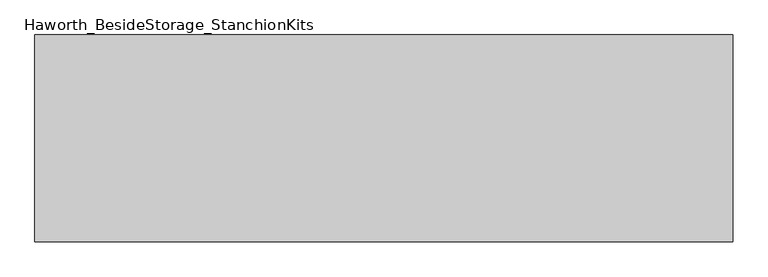
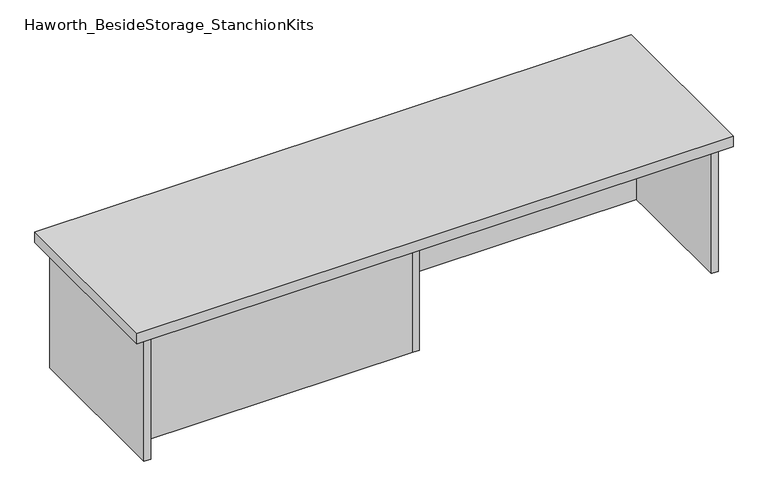
"""IFC4 building model written with IfcOpenShell, lengths in millimetres: furniture geometry, Haworth_BesideStorage_StanchionKits."""

from ifc_helpers import new_model, si_unit, frame, origin, place, context, project, spatial, polyline, outline, extrude, source, transform, mapped, element, save


def haworth_besidestorage_stanchionkits_5d6fe771(model_context):
    return source(origin(), model_context, "Body", "SweptSolid", [
        extrude(outline(polyline([(847.725, 0.0), (847.725, -406.4), (-523.875, -406.4), (-523.875, 0.0), (847.725, 0.0)])), frame((0.0, 0.0, 736.6), z_axis=(0.0, 0.0, 1.0), x_axis=(1.0, 0.0, 0.0)), (0.0, 0.0, 1.0), 25.4),
        extrude(outline(polyline([(169.8625, -76.2), (806.45, -76.2), (806.45, -92.075), (169.8625, -92.075), (169.8625, -76.2)])), frame((0.0, 0.0, 431.8), z_axis=(0.0, 0.0, 1.0), x_axis=(1.0, 0.0, 0.0)), (0.0, 0.0, 1.0), 304.8),
        extrude(outline(polyline([(153.9875, -314.325), (153.9875, -330.2), (-482.6, -330.2), (-482.6, -314.325), (153.9875, -314.325)])), frame((0.0, 0.0, 431.8), z_axis=(0.0, 0.0, 1.0), x_axis=(1.0, 0.0, 0.0)), (0.0, 0.0, 1.0), 304.8),
        extrude(outline(polyline([(169.8625, -330.2), (153.9875, -330.2), (153.9875, -76.2), (169.8625, -76.2), (169.8625, -330.2)])), frame((0.0, 0.0, 431.8), z_axis=(0.0, 0.0, 1.0), x_axis=(1.0, 0.0, 0.0)), (0.0, 0.0, 1.0), 304.8),
        extrude(outline(polyline([(822.325, -390.525), (806.45, -390.525), (806.45, -15.875), (822.325, -15.875), (822.325, -390.525)])), frame((0.0, 0.0, 431.8), z_axis=(0.0, 0.0, 1.0), x_axis=(1.0, 0.0, 0.0)), (0.0, 0.0, 1.0), 304.8),
        extrude(outline(polyline([(-482.6, -390.525), (-498.475, -390.525), (-498.475, -15.875), (-482.6, -15.875), (-482.6, -390.525)])), frame((0.0, 0.0, 431.8), z_axis=(0.0, 0.0, 1.0), x_axis=(1.0, 0.0, 0.0)), (0.0, 0.0, 1.0), 304.8),
    ])


if __name__ == "__main__":
    model = new_model("IFC4")
    model_context = context("Model", 3, world=origin())
    ifc_project = project(units=[si_unit("LENGTHUNIT", "METRE", prefix="MILLI")], contexts=[model_context])
    site = spatial("IfcSite", under=ifc_project)
    building = spatial("IfcBuilding", under=site)
    placement = place(None, origin())
    haworth_besidestorage_stanchionkits_shape = haworth_besidestorage_stanchionkits_5d6fe771(model_context)
    element("IfcFurniture", 1, ObjectType="Haworth_BesideStorage_StanchionKits", at=placement, inside=building, context=model_context, shape_type="MappedRepresentation", body=[
        mapped(haworth_besidestorage_stanchionkits_shape, transform((0.0, 0.0, 0.0), x_axis=(1.0, 0.0, 0.0), y_axis=(0.0, 1.0, 0.0), z_axis=(0.0, 0.0, 1.0))),
    ])
    save(model, "model.ifc")
